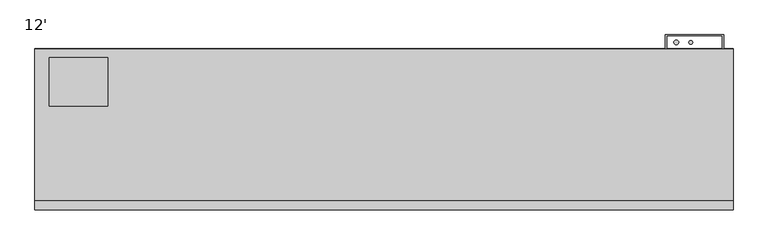
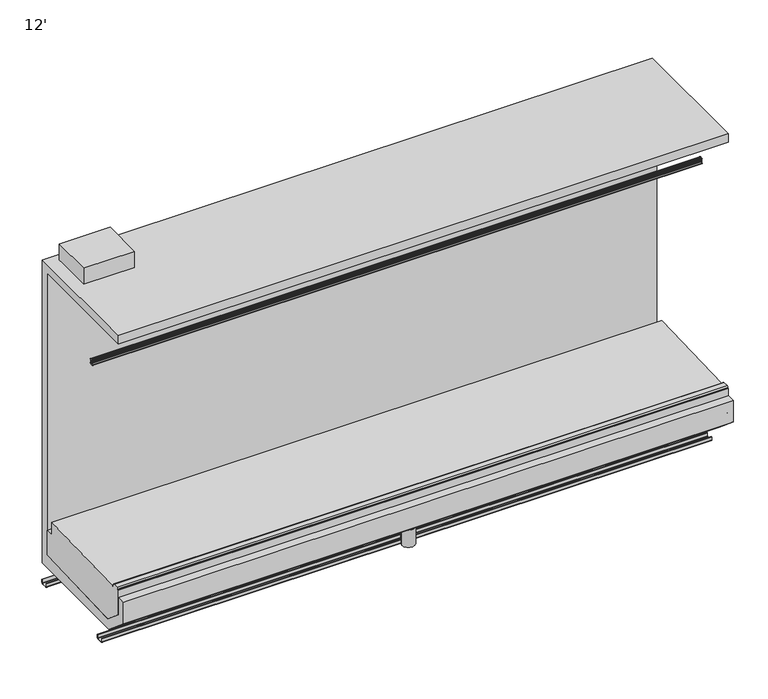
"""IFC4 building model written with IfcOpenShell, lengths in millimetres: proxy geometry, 12'."""

from ifc_helpers import new_model, si_unit, point, frame, frame_2d, origin, origin_with_axes, place, context, project, spatial, polyline, circle_curve, trimmed, segment, composite_curve, outline, extrude, source, transform, mapped, element, save
from ifc_brep_helpers import plane_surface, cylinder_surface, revolved_surface, advanced_brep


def proxy_12_0bb4a492(model_context):
    return source(origin(), model_context, "Body", "SolidModel", [
        extrude(outline(polyline([(381.0, -445.9589273), (381.0, -699.9589273), (76.2, -699.9589273), (76.2, -445.9589273), (381.0, -445.9589273)])), frame((0.0, 0.0, 2053.0), z_axis=(0.0, 0.0, 1.0), x_axis=(1.0, 0.0, 0.0)), (0.0, 0.0, 1.0), 101.6),
        extrude(outline(composite_curve([segment(trimmed(circle_curve(frame_2d((124.866634, -515.3253412)), 12.7), [point((112.166634, -515.3253412))], [point((137.566634, -515.3253412))], False, "CARTESIAN"), True, "CONTINUOUS"), segment(trimmed(circle_curve(frame_2d((124.866634, -515.3253412)), 12.7), [point((137.566634, -515.3253412))], [point((112.166634, -515.3253412))], False, "CARTESIAN"), True, "CONTINUOUS")], self_intersect=False)), frame((0.0, 0.0, 68.5310382), z_axis=(0.0, 0.0, 1.0), x_axis=(1.0, 0.0, 0.0)), (0.0, 0.0, 1.0), 6.35),
        extrude(outline(composite_curve([segment(trimmed(circle_curve(frame_2d((162.966634, -515.3253412)), 12.7), [point((150.266634, -515.3253412))], [point((175.666634, -515.3253412))], False, "CARTESIAN"), True, "CONTINUOUS"), segment(trimmed(circle_curve(frame_2d((162.966634, -515.3253412)), 12.7), [point((175.666634, -515.3253412))], [point((150.266634, -515.3253412))], False, "CARTESIAN"), True, "CONTINUOUS")], self_intersect=False)), frame((0.0, 0.0, 68.5310382), z_axis=(0.0, 0.0, 1.0), x_axis=(1.0, 0.0, 0.0)), (0.0, 0.0, 1.0), 6.35),
        advanced_brep(
        [(3657.6, -500.2639658, 449.111638), (3657.6, -1126.5028947, 427.2428927), (3657.6, -1135.3036375, 427.2438499), (3657.6, -1141.6520836, 433.4891442), (3657.6, -1141.6520836, 441.532731), (3657.6, -1148.0014586, 447.882731), (3657.6, -1181.6652736, 447.8860441), (3657.6, -1188.0158985, 441.5367347), (3657.6, -1188.0165653, 435.4058904), (3657.6, -1192.8459273, 435.4064157), (3657.6, -1192.8459273, 281.2500468), (3657.6, -1082.8646206, 188.9647729), (3657.6, -451.7851762, 211.0025527), (3657.6, -451.7851762, 367.1756257), (3657.6, -500.2639658, 367.1756257), (0.0, -500.2639658, 449.111638), (0.0, -500.2639658, 367.1756257), (0.0, -451.7851762, 367.1756257), (0.0, -451.7851762, 211.0025527), (0.0, -1082.8646206, 188.9647729), (0.0, -1192.8459273, 281.2500468), (0.0, -1192.8459273, 435.4064157), (0.0, -1188.0165653, 435.4058904), (0.0, -1188.0158985, 441.5367347), (0.0, -1181.6652736, 447.8860441), (0.0, -1148.0014586, 447.882731), (0.0, -1141.6520836, 441.532731), (0.0, -1141.6520836, 433.4891442), (0.0, -1135.3036375, 427.2438499), (0.0, -1126.5028947, 427.2428927), (3556.0, -451.7851762, 260.35), (3556.0, -451.7851762, 361.95), (3556.0, -471.3589273, 260.35), (3556.0, -471.3589273, 361.95)],
        [
            (0, 1),
            (1, 2),
            (2, 3, circle_curve(frame((3657.6, -1135.3029469, 433.5938498), z_axis=(-1.0, 0.0, 0.0), x_axis=(0.0, 1.0, 0.0)), 6.35)),
            (3, 4),
            (4, 5, circle_curve(frame((3657.6, -1148.0020836, 441.532731), z_axis=(1.0, 0.0, 0.0), x_axis=(0.0, 1.0, 0.0)), 6.35)),
            (5, 6),
            (6, 7, circle_curve(frame((3657.6, -1181.6658985, 441.5360441), z_axis=(1.0, 0.0, 0.0), x_axis=(0.0, 1.0, 0.0)), 6.35)),
            (7, 8),
            (8, 9),
            (9, 10),
            (10, 11),
            (11, 12),
            (12, 13),
            (13, 14),
            (14, 0),
            (15, 16),
            (16, 17),
            (17, 18),
            (18, 19),
            (19, 20),
            (20, 21),
            (21, 22),
            (22, 23),
            (23, 24, circle_curve(frame((0.0, -1181.6658985, 441.5360441), z_axis=(-1.0, 0.0, 0.0), x_axis=(0.0, 1.0, 0.0)), 6.35)),
            (24, 25),
            (25, 26, circle_curve(frame((0.0, -1148.0020836, 441.532731), z_axis=(-1.0, 0.0, 0.0), x_axis=(0.0, 1.0, 0.0)), 6.35)),
            (26, 27),
            (27, 28, circle_curve(frame((0.0, -1135.3029469, 433.5938498), z_axis=(1.0, 0.0, 0.0), x_axis=(0.0, 1.0, 0.0)), 6.35)),
            (28, 29),
            (29, 15),
            (12, 18),
            (17, 13),
            (30, 31, circle_curve(frame((3556.0, -451.7851762, 311.15), z_axis=(0.0, -1.0, 0.0), x_axis=(0.0, 0.0, 1.0)), 50.8)),
            (31, 30, circle_curve(frame((3556.0, -451.7851762, 311.15), z_axis=(0.0, -1.0, 0.0), x_axis=(0.0, 0.0, 1.0)), 50.8)),
            (16, 14),
            (15, 0),
            (9, 21),
            (20, 10),
            (19, 11),
            (29, 1),
            (28, 2),
            (27, 3),
            (4, 26),
            (25, 5),
            (24, 6),
            (23, 7),
            (22, 8),
            (32, 33, circle_curve(frame((3556.0, -471.3589273, 311.15), z_axis=(0.0, 1.0, 0.0), x_axis=(0.0, 0.0, 1.0)), 50.8)),
            (33, 32, circle_curve(frame((3556.0, -471.3589273, 311.15), z_axis=(0.0, 1.0, 0.0), x_axis=(0.0, 0.0, 1.0)), 50.8)),
            (33, 31),
            (30, 32),
        ],
        [
            plane_surface(frame((3657.6, -1126.5028947, 427.2428927), z_axis=(1.0000000000000002, 0.0, 0.0), x_axis=(0.0, -0.9993908270190762, -0.034899496703061944))),
            plane_surface(frame((0.0, -1126.5028947, 427.2428927), z_axis=(-1.0000000000000002, 0.0, 0.0), x_axis=(0.0, 0.9993908270190762, 0.034899496703061944))),
            plane_surface(frame((3657.6, -451.7851762, 211.0025527), z_axis=(0.0, 1.0, 0.0), x_axis=(-1.0, 0.0, 0.0))),
            plane_surface(frame((3657.6, -451.7851762, 367.1756257), z_axis=(0.0, 0.0, 1.0), x_axis=(-1.0, 0.0, 0.0))),
            plane_surface(frame((3657.6, -500.2639658, 367.1756257), z_axis=(0.0, 1.0, 0.0), x_axis=(-1.0, 0.0, 0.0))),
            plane_surface(frame((3657.6, -1192.8459273, 435.4064157), z_axis=(0.0, -1.0, 0.0), x_axis=(-1.0, 0.0, 0.0))),
            plane_surface(frame((3657.6, -1192.8459273, 281.2500468), z_axis=(0.0, -0.6427876096870722, -0.7660444431185309), x_axis=(-1.0, 0.0, 0.0))),
            plane_surface(frame((3657.6, -1082.8646206, 188.9647729), z_axis=(0.0, 0.03489949670246416, -0.999390827019097), x_axis=(-1.0, 0.0, 0.0))),
            plane_surface(frame((3657.6, -500.2639658, 449.111638), z_axis=(0.0, -0.034899496703061944, 0.9993908270190762), x_axis=(-1.0, 0.0, 0.0))),
            plane_surface(frame((3657.6, -1126.5028947, 427.2428927), z_axis=(0.0, 0.00010875852496434941, 0.9999999940857917), x_axis=(-1.0, 0.0, 0.0))),
            revolved_surface(polyline([(0.0, -1128.9529469000001, 433.5938498), (3657.6, -1128.9529469000001, 433.5938498)]), (0.0, -1135.3029469, 433.5938498), (-1.0, 0.0, 0.0)),
            cylinder_surface(frame((0.0, -1148.0020836, 441.532731), z_axis=(1.0, 0.0, 0.0), x_axis=(0.0, 1.0, 0.0)), 6.35),
            plane_surface(frame((3657.6, -1148.0014586, 447.882731), z_axis=(0.0, 9.841684243872936e-05, 0.9999999951570626), x_axis=(-1.0, 0.0, 0.0))),
            cylinder_surface(frame((0.0, -1181.6658985, 441.5360441), z_axis=(1.0, 0.0, 0.0), x_axis=(0.0, 1.0, 0.0)), 6.35),
            plane_surface(frame((3657.6, -1188.0158985, 441.5367347), z_axis=(0.0, -0.9999999940857938, 0.00010875850531839876), x_axis=(-1.0, 0.0, 0.0))),
            plane_surface(frame((3657.6, -1188.0165653, 435.4058904), z_axis=(0.0, 0.00010875840003332278, 0.9999999940858052), x_axis=(-1.0, 0.0, 0.0))),
            plane_surface(frame((3657.6, -1141.6520836, 433.4891442), z_axis=(0.0, 1.0, 0.0), x_axis=(-1.0, 0.0, 0.0))),
            plane_surface(frame((3556.0, -471.3589273, 361.95), z_axis=(0.0, 1.0, 0.0), x_axis=(-1.0, 0.0, 0.0))),
            revolved_surface(polyline([(3556.0, -471.3589273, 361.95), (3556.0, -451.7851762, 361.95)]), (3556.0, -381.990496, 311.15), (0.0, -1.0, 0.0)),
        ],
        [
            (0, [[1, 2, 3, 4, 5, 6, 7, 8, 9, 10, 11, 12, 13, 14, 15]]),
            (1, [[16, 17, 18, 19, 20, 21, 22, 23, 24, 25, 26, 27, 28, 29, 30]]),
            (2, [[-13, 31, -18, 32], [33, 34]]),
            (3, [[-14, -32, -17, 35]]),
            (4, [[-15, -35, -16, 36]]),
            (5, [[-10, 37, -21, 38]]),
            (6, [[-11, -38, -20, 39]]),
            (7, [[-12, -39, -19, -31]]),
            (8, [[-1, -36, -30, 40]]),
            (9, [[-2, -40, -29, 41]]),
            (10, [[-3, -41, -28, 42]]),
            (11, [[-5, 43, -26, 44]]),
            (12, [[-6, -44, -25, 45]]),
            (13, [[-7, -45, -24, 46]]),
            (14, [[-8, -46, -23, 47]]),
            (15, [[-9, -47, -22, -37]]),
            (16, [[-4, -42, -27, -43]]),
            (17, [[48, 49]]),
            (18, [[-49, 50, -33, 51]]),
            (18, [[-48, -51, -34, -50]]),
        ],
    ),
        advanced_brep(
        [(3657.6, -1093.449669, 130.175), (3657.6, -401.5089273, 130.175), (3657.6, -401.5089273, 2053.0), (3657.6, -1193.4788424, 2053.0), (3657.6, -1193.4788424, 2000.9165757), (3657.6, -451.7851762, 2000.9165757), (3657.6, -451.7851762, 211.0025527), (3657.6, -1082.8646206, 188.9647729), (3657.6, -1192.8459273, 281.2500468), (3657.6, -1192.8459273, 391.0306785), (3657.6, -1243.8542655, 391.0306785), (3657.6, -1243.8542655, 256.3794415), (0.0, -1093.449669, 130.175), (0.0, -1243.8542655, 256.3794415), (0.0, -1243.8542655, 391.0306785), (0.0, -1192.8459273, 391.0306785), (0.0, -1192.8459273, 281.2500468), (0.0, -1082.8646206, 188.9647729), (0.0, -451.7851762, 211.0025527), (0.0, -451.7851762, 2000.9165757), (0.0, -1193.4788424, 2000.9165757), (0.0, -1193.4788424, 2053.0), (0.0, -401.5089273, 2053.0), (0.0, -401.5089273, 130.175), (3556.0, -401.5089273, 260.35), (3556.0, -401.5089273, 361.95), (3556.0, -451.7851762, 361.95), (3556.0, -451.7851762, 260.35)],
        [
            (0, 1),
            (1, 2),
            (2, 3),
            (3, 4),
            (4, 5),
            (5, 6),
            (6, 7),
            (7, 8),
            (8, 9),
            (9, 10),
            (10, 11),
            (11, 0),
            (12, 13),
            (13, 14),
            (14, 15),
            (15, 16),
            (16, 17),
            (17, 18),
            (18, 19),
            (19, 20),
            (20, 21),
            (21, 22),
            (22, 23),
            (23, 12),
            (0, 12),
            (23, 1),
            (22, 2),
            (24, 25, circle_curve(frame((3556.0, -401.5089273, 311.15), z_axis=(0.0, -1.0, 0.0), x_axis=(0.0, 0.0, 1.0)), 50.8)),
            (25, 24, circle_curve(frame((3556.0, -401.5089273, 311.15), z_axis=(0.0, -1.0, 0.0), x_axis=(0.0, 0.0, 1.0)), 50.8)),
            (21, 3),
            (20, 4),
            (19, 5),
            (18, 6),
            (26, 27, circle_curve(frame((3556.0, -451.7851762, 311.15), z_axis=(0.0, 1.0, 0.0), x_axis=(0.0, 0.0, 1.0)), 50.8)),
            (27, 26, circle_curve(frame((3556.0, -451.7851762, 311.15), z_axis=(0.0, 1.0, 0.0), x_axis=(0.0, 0.0, 1.0)), 50.8)),
            (17, 7),
            (16, 8),
            (15, 9),
            (14, 10),
            (13, 11),
            (24, 27),
            (26, 25),
        ],
        [
            plane_surface(frame((3657.6, -401.5089273, 130.175), z_axis=(1.0, 0.0, 0.0), x_axis=(0.0, 1.0, 0.0))),
            plane_surface(frame((0.0, -401.5089273, 130.175), z_axis=(-1.0, 0.0, 0.0), x_axis=(0.0, -1.0, 0.0))),
            plane_surface(frame((3657.6, -1093.449669, 130.175), z_axis=(0.0, 0.0, -1.0), x_axis=(-1.0, 0.0, 0.0))),
            plane_surface(frame((3657.6, -401.5089273, 130.175), z_axis=(0.0, 1.0, 0.0), x_axis=(-1.0, 0.0, 0.0))),
            plane_surface(frame((3657.6, -401.5089273, 2053.0), z_axis=(0.0, 0.0, 1.0), x_axis=(-1.0, 0.0, 0.0))),
            plane_surface(frame((3657.6, -1193.4788424, 2053.0), z_axis=(0.0, -1.0, 0.0), x_axis=(-1.0, 0.0, 0.0))),
            plane_surface(frame((3657.6, -1193.4788424, 2000.9165757), z_axis=(0.0, 0.0, -1.0), x_axis=(-1.0, 0.0, 0.0))),
            plane_surface(frame((3657.6, -451.7851762, 2000.9165757), z_axis=(0.0, -1.0, 0.0), x_axis=(-1.0, 0.0, 0.0))),
            plane_surface(frame((3657.6, -451.7851762, 211.0025527), z_axis=(0.0, -0.03489949670246416, 0.999390827019097), x_axis=(-1.0, 0.0, 0.0))),
            plane_surface(frame((3657.6, -1082.8646206, 188.9647729), z_axis=(0.0, 0.6427876096870722, 0.7660444431185309), x_axis=(-1.0, 0.0, 0.0))),
            plane_surface(frame((3657.6, -1192.8459273, 281.2500468), z_axis=(0.0, 1.0, 0.0), x_axis=(-1.0, 0.0, 0.0))),
            plane_surface(frame((3657.6, -1192.8459273, 391.0306785), z_axis=(0.0, 0.0, 1.0), x_axis=(-1.0, 0.0, 0.0))),
            plane_surface(frame((3657.6, -1243.8542655, 391.0306785), z_axis=(0.0, -1.0, 0.0), x_axis=(-1.0, 0.0, 0.0))),
            plane_surface(frame((3657.6, -1243.8542655, 256.3794415), z_axis=(0.0, -0.6427876096870824, -0.7660444431185224), x_axis=(-1.0, 0.0, 0.0))),
            revolved_surface(polyline([(3556.0, -451.7851762, 361.95), (3556.0, -401.5089273, 361.95)]), (3556.0, -381.990496, 311.15), (0.0, -1.0, 0.0)),
        ],
        [
            (0, [[1, 2, 3, 4, 5, 6, 7, 8, 9, 10, 11, 12]]),
            (1, [[13, 14, 15, 16, 17, 18, 19, 20, 21, 22, 23, 24]]),
            (2, [[-1, 25, -24, 26]]),
            (3, [[-2, -26, -23, 27], [28, 29]]),
            (4, [[-3, -27, -22, 30]]),
            (5, [[-4, -30, -21, 31]]),
            (6, [[-5, -31, -20, 32]]),
            (7, [[-6, -32, -19, 33], [34, 35]]),
            (8, [[-7, -33, -18, 36]]),
            (9, [[-8, -36, -17, 37]]),
            (10, [[-9, -37, -16, 38]]),
            (11, [[-10, -38, -15, 39]]),
            (12, [[-11, -39, -14, 40]]),
            (13, [[-12, -40, -13, -25]]),
            (14, [[41, -34, 42, -28]]),
            (14, [[-41, -29, -42, -35]]),
        ],
    ),
        extrude(outline(composite_curve([segment(polyline([(-401.5089273, 24.892), (-398.7403273, 24.892), (-398.7403273, 5.1562)]), True, "CONTINUOUS"), segment(trimmed(circle_curve(frame_2d((-403.8965273, 5.1562)), 5.1562), [point((-398.7403273, 5.1562))], [point((-399.435967, 2.5697351))], False, "CARTESIAN"), True, "CONTINUOUS"), segment(trimmed(circle_curve(frame_2d((-403.8965273, 5.1562)), 5.1562), [point((-399.435967, 2.5697351))], [point((-403.8965273, 0.0))], False, "CARTESIAN"), True, "CONTINUOUS"), segment(polyline([(-403.8965273, 0.0), (-438.8088273, 0.0)]), True, "CONTINUOUS"), segment(trimmed(circle_curve(frame_2d((-438.8088273, 5.1562)), 5.1562), [point((-438.8088273, 0.0))], [point((-443.9650273, 5.1562))], False, "CARTESIAN"), True, "CONTINUOUS"), segment(polyline([(-443.9650273, 5.1562), (-443.9650273, 24.9047), (-441.1964273, 24.9047), (-441.1964273, 5.1562)]), True, "CONTINUOUS"), segment(trimmed(circle_curve(frame_2d((-438.8088273, 5.1562)), 2.3876), [point((-441.1964273, 5.1562))], [point((-438.8088273, 2.7686))], True, "CARTESIAN"), True, "CONTINUOUS"), segment(polyline([(-438.8088273, 2.7686), (-403.8965273, 2.7686)]), True, "CONTINUOUS"), segment(trimmed(circle_curve(frame_2d((-403.8965273, 5.1562)), 2.3876), [point((-403.8965273, 2.7686))], [point((-401.5089273, 5.1562))], True, "CARTESIAN"), True, "CONTINUOUS"), segment(polyline([(-401.5089273, 5.1562), (-401.5089273, 24.892)]), True, "CONTINUOUS")], self_intersect=False)), frame((0.0, 0.0, 0.0), z_axis=(1.0, 0.0, 0.0), x_axis=(0.0, 1.0, 0.0)), (0.0, 0.0, 1.0), 3657.6),
        extrude(outline(composite_curve([segment(trimmed(circle_curve(frame_2d((1828.8, -1036.5089273)), 38.1), [point((1790.7, -1036.5089273))], [point((1866.9, -1036.5089273))], False, "CARTESIAN"), True, "CONTINUOUS"), segment(trimmed(circle_curve(frame_2d((1828.8, -1036.5089273)), 38.1), [point((1866.9, -1036.5089273))], [point((1790.7, -1036.5089273))], False, "CARTESIAN"), True, "CONTINUOUS")], self_intersect=False)), origin_with_axes(), (0.0, 0.0, 1.0), 109.7534),
        extrude(outline(composite_curve([segment(trimmed(circle_curve(frame_2d((311.15, 3578.8101353)), 12.7), [point((298.45, 3578.8101353))], [point((323.85, 3578.8101353))], False, "CARTESIAN"), True, "CONTINUOUS"), segment(trimmed(circle_curve(frame_2d((311.15, 3578.8101353)), 12.7), [point((323.85, 3578.8101353))], [point((298.45, 3578.8101353))], False, "CARTESIAN"), True, "CONTINUOUS")], self_intersect=False)), frame((0.0, -471.3589273, 0.0), z_axis=(0.0, 1.0, 0.0), x_axis=(0.0, 0.0, 1.0)), (0.0, 0.0, 1.0), 69.85),
        extrude(outline(composite_curve([segment(trimmed(circle_curve(frame_2d((311.15, 3533.1898647)), 9.525), [point((301.625, 3533.1898647))], [point((320.675, 3533.1898647))], False, "CARTESIAN"), True, "CONTINUOUS"), segment(trimmed(circle_curve(frame_2d((311.15, 3533.1898647)), 9.525), [point((320.675, 3533.1898647))], [point((301.625, 3533.1898647))], False, "CARTESIAN"), True, "CONTINUOUS")], self_intersect=False)), frame((0.0, -471.3589273, 0.0), z_axis=(0.0, 1.0, 0.0), x_axis=(0.0, 0.0, 1.0)), (0.0, 0.0, 1.0), 69.85),
        extrude(outline(polyline([(3601.018325, -330.9058645), (3308.918325, -330.9058645), (3308.918325, -398.7403273), (3302.568325, -398.7403273), (3302.568325, -325.3089273), (3607.368325, -325.3089273), (3607.368325, -401.5089273), (3601.018325, -401.5089273), (3601.018325, -330.9058645)])), frame((0.0, 0.0, 206.3320589), z_axis=(0.0, 0.0, 1.0), x_axis=(1.0, 0.0, 0.0)), (0.0, 0.0, 1.0), 1452.7159789),
        extrude(outline(composite_curve([segment(trimmed(circle_curve(frame_2d((3359.718325, -364.899036)), 12.7), [point((3347.018325, -364.899036))], [point((3372.418325, -364.899036))], False, "CARTESIAN"), True, "CONTINUOUS"), segment(trimmed(circle_curve(frame_2d((3359.718325, -364.899036)), 12.7), [point((3372.418325, -364.899036))], [point((3347.018325, -364.899036))], False, "CARTESIAN"), True, "CONTINUOUS")], self_intersect=False)), frame((0.0, 0.0, 1562.7753116), z_axis=(0.0, 0.0, 1.0), x_axis=(1.0, 0.0, 0.0)), (0.0, 0.0, 1.0), 159.9413001),
        extrude(outline(composite_curve([segment(trimmed(circle_curve(frame_2d((3435.918325, -364.899036)), 9.525), [point((3426.393325, -364.899036))], [point((3445.443325, -364.899036))], False, "CARTESIAN"), True, "CONTINUOUS"), segment(trimmed(circle_curve(frame_2d((3435.918325, -364.899036)), 9.525), [point((3445.443325, -364.899036))], [point((3426.393325, -364.899036))], False, "CARTESIAN"), True, "CONTINUOUS")], self_intersect=False)), frame((0.0, 0.0, 1562.7753116), z_axis=(0.0, 0.0, 1.0), x_axis=(1.0, 0.0, 0.0)), (0.0, 0.0, 1.0), 159.9413001),
        extrude(outline(composite_curve([segment(polyline([(-977.7506561, 24.892), (-974.9820561, 24.892), (-974.9820561, 5.1562)]), True, "CONTINUOUS"), segment(trimmed(circle_curve(frame_2d((-980.1382561, 5.1562)), 5.1562), [point((-974.9820561, 5.1562))], [point((-975.6776958, 2.5697351))], False, "CARTESIAN"), True, "CONTINUOUS"), segment(trimmed(circle_curve(frame_2d((-980.1382561, 5.1562)), 5.1562), [point((-975.6776958, 2.5697351))], [point((-980.1382561, 0.0))], False, "CARTESIAN"), True, "CONTINUOUS"), segment(polyline([(-980.1382561, 0.0), (-1015.0505561, 0.0)]), True, "CONTINUOUS"), segment(trimmed(circle_curve(frame_2d((-1015.0505561, 5.1562)), 5.1562), [point((-1015.0505561, 0.0))], [point((-1020.2067561, 5.1562))], False, "CARTESIAN"), True, "CONTINUOUS"), segment(polyline([(-1020.2067561, 5.1562), (-1020.2067561, 24.9047), (-1017.4381561, 24.9047), (-1017.4381561, 5.1562)]), True, "CONTINUOUS"), segment(trimmed(circle_curve(frame_2d((-1015.0505561, 5.1562)), 2.3876), [point((-1017.4381561, 5.1562))], [point((-1015.0505561, 2.7686))], True, "CARTESIAN"), True, "CONTINUOUS"), segment(polyline([(-1015.0505561, 2.7686), (-980.1382561, 2.7686)]), True, "CONTINUOUS"), segment(trimmed(circle_curve(frame_2d((-980.1382561, 5.1562)), 2.3876), [point((-980.1382561, 2.7686))], [point((-977.7506561, 5.1562))], True, "CARTESIAN"), True, "CONTINUOUS"), segment(polyline([(-977.7506561, 5.1562), (-977.7506561, 24.892)]), True, "CONTINUOUS")], self_intersect=False)), frame((0.0, 0.0, 0.0), z_axis=(1.0, 0.0, 0.0), x_axis=(0.0, 1.0, 0.0)), (0.0, 0.0, 1.0), 3657.6),
        advanced_brep(
        [(3657.6, -902.6931295, 1727.3075286), (3657.6, -901.7243099, 1727.6885286), (3657.6, -902.8390735, 1730.5231871), (3657.6, -905.9012623, 1732.6167077), (3657.6, -908.3652606, 1732.6247138), (3657.6, -908.3652606, 1704.0828354), (3657.6, -910.4874517, 1701.5774341), (3657.6, -914.7493725, 1700.8731899), (3657.6, -917.4469208, 1704.4916046), (3657.6, -914.3596606, 1717.0478082), (3657.6, -914.3596606, 1732.6247138), (3657.6, -919.5201751, 1732.6247138), (3657.6, -920.545241, 1732.1045613), (3657.6, -921.6281952, 1729.8544831), (3657.6, -920.6442857, 1729.6607751), (3657.6, -920.0507066, 1731.2579447), (3657.6, -919.2029406, 1731.4273519), (3657.6, -917.1624717, 1728.3298316), (3657.6, -916.2734717, 1728.3298316), (3657.6, -916.2734717, 1723.5154593), (3657.6, -915.4867719, 1723.3208329), (3657.6, -916.2860613, 1720.0900228), (3657.6, -916.3394429, 1717.0318787), (3657.6, -916.382618, 1715.9093735), (3657.6, -916.5259319, 1714.2657553), (3657.6, -916.9841164, 1711.5098777), (3657.6, -917.3803385, 1709.9083074), (3657.6, -921.1921567, 1701.6305848), (3657.6, -922.0946495, 1701.7496918), (3657.6, -922.5752577, 1703.1954368), (3657.6, -923.5448561, 1702.9314817), (3657.6, -923.1493051, 1701.7804452), (3657.6, -917.5263496, 1698.0213504), (3657.6, -904.9718522, 1700.0874013), (3657.6, -902.4051937, 1702.2161722), (3657.6, -901.4299592, 1704.8954615), (3657.6, -902.4324233, 1705.2603286), (3657.6, -903.2891388, 1703.4720652), (3657.6, -906.910186, 1704.3817952), (3657.6, -907.0320908, 1728.1919806), (3657.6, -903.357335, 1728.9956276), (0.0, -902.6931295, 1727.3075286), (0.0, -903.357335, 1728.9956276), (0.0, -907.0320908, 1728.1919806), (0.0, -906.910186, 1704.3817952), (0.0, -903.2891388, 1703.4720652), (0.0, -902.4324233, 1705.2603286), (0.0, -901.4299592, 1704.8954615), (0.0, -902.4051937, 1702.2161722), (0.0, -904.9718522, 1700.0874013), (0.0, -917.5263496, 1698.0213504), (0.0, -923.149286, 1701.7804537), (0.0, -923.5448561, 1702.9314817), (0.0, -922.5752577, 1703.1954368), (0.0, -922.0946495, 1701.7496918), (0.0, -921.1921848, 1701.6306037), (0.0, -917.3803385, 1709.9083074), (0.0, -916.9841164, 1711.5098777), (0.0, -916.5259319, 1714.2657553), (0.0, -916.382618, 1715.9093735), (0.0, -916.3394429, 1717.0318787), (0.0, -916.2860613, 1720.0900228), (0.0, -915.4867719, 1723.3208329), (0.0, -916.2734717, 1723.5154593), (0.0, -916.2734717, 1728.3298316), (0.0, -917.1624717, 1728.3298316), (0.0, -919.2029343, 1731.4273578), (0.0, -920.0507066, 1731.2579447), (0.0, -920.6442857, 1729.6607751), (0.0, -921.6281903, 1729.8544818), (0.0, -920.5452539, 1732.1045707), (0.0, -919.5201751, 1732.6247012), (0.0, -914.3596606, 1732.6247138), (0.0, -914.3596606, 1717.0478082), (0.0, -917.4469208, 1704.4916046), (0.0, -914.7493725, 1700.8731899), (0.0, -910.4874517, 1701.5774341), (0.0, -908.3652606, 1704.0828354), (0.0, -908.3652606, 1732.6247138), (0.0, -905.9012623, 1732.6167077), (0.0, -902.8390735, 1730.5231871), (0.0, -901.7243099, 1727.6885286)],
        [
            (0, 1),
            (1, 2),
            (2, 3, circle_curve(frame((3657.6, -905.9119913, 1729.3147251), z_axis=(1.0, 0.0, 0.0), x_axis=(0.0, 1.0, 0.0)), 3.302)),
            (3, 4),
            (4, 5),
            (5, 6, circle_curve(frame((3657.6, -910.9052606, 1704.0828354), z_axis=(-1.0, 0.0, 0.0), x_axis=(0.0, 1.0, 0.0)), 2.54)),
            (6, 7),
            (7, 8, circle_curve(frame((3657.6, -915.163469, 1703.3792046), z_axis=(-1.0, 0.0, 0.0), x_axis=(0.0, 1.0, 0.0)), 2.5399972)),
            (8, 9, circle_curve(frame((3657.6, -945.8394817, 1718.130276), z_axis=(1.0, 0.0, 0.0), x_axis=(0.0, 1.0, 0.0)), 31.4984265)),
            (9, 10),
            (10, 11),
            (11, 12, circle_curve(frame((3657.6, -919.5202548, 1731.3547138), z_axis=(1.0, 0.0, 0.0), x_axis=(0.0, 1.0, 0.0)), 1.2699874)),
            (12, 13, circle_curve(frame((3657.6, -915.0105356, 1728.0551268), z_axis=(1.0, 0.0, 0.0), x_axis=(0.0, 1.0, 0.0)), 6.8579226)),
            (13, 14, circle_curve(frame((3657.6, -921.143137, 1729.722586), z_axis=(1.0, 0.0, 0.0), x_axis=(0.0, 1.0, 0.0)), 0.5026661)),
            (14, 15),
            (15, 16, circle_curve(frame((3657.6, -919.5745346, 1731.080978), z_axis=(-1.0, 0.0, 0.0), x_axis=(0.0, 1.0, 0.0)), 0.5079931)),
            (16, 17, circle_curve(frame((3657.6, -927.3217632, 1723.8583356), z_axis=(-1.0, 0.0, 0.0), x_axis=(0.0, 1.0, 0.0)), 11.0997964)),
            (17, 18),
            (18, 19),
            (19, 20),
            (20, 21),
            (21, 22),
            (22, 23, circle_curve(frame((3657.6, -944.909409, 1717.568686), z_axis=(-1.0, 0.0, 0.0), x_axis=(0.0, 1.0, 0.0)), 28.5750087)),
            (23, 24, circle_curve(frame((3657.6, -916.847274, 1715.1218316), z_axis=(-1.0, 0.0, 0.0), x_axis=(0.0, 1.0, 0.0)), 0.9144)),
            (24, 25, circle_curve(frame((3657.6, -944.909409, 1717.568686), z_axis=(-1.0, 0.0, 0.0), x_axis=(0.0, 1.0, 0.0)), 28.5750087)),
            (25, 26, circle_curve(frame((3657.6, -917.5651726, 1710.8038316), z_axis=(-1.0, 0.0, 0.0), x_axis=(0.0, 1.0, 0.0)), 0.9144)),
            (26, 27, circle_curve(frame((3657.6, -944.909409, 1717.568686), z_axis=(-1.0, 0.0, 0.0), x_axis=(0.0, 1.0, 0.0)), 28.5750087)),
            (27, 28, circle_curve(frame((3657.6, -921.6139006, 1701.9138278), z_axis=(-1.0, 0.0, 0.0), x_axis=(0.0, 1.0, 0.0)), 0.5079962)),
            (28, 29),
            (29, 30, circle_curve(frame((3657.6, -923.0561634, 1703.049157), z_axis=(1.0, 0.0, 0.0), x_axis=(0.0, 1.0, 0.0)), 0.502661)),
            (30, 31, circle_curve(frame((3657.6, -916.8870114, 1704.575951), z_axis=(1.0, 0.0, 0.0), x_axis=(0.0, 1.0, 0.0)), 6.857928)),
            (31, 32, circle_curve(frame((3657.6, -917.3508154, 1704.3689156), z_axis=(1.0, 0.0, 0.0), x_axis=(0.0, 1.0, 0.0)), 6.3499919)),
            (32, 33),
            (33, 34, circle_curve(frame((3657.6, -905.508039, 1703.3455768), z_axis=(1.0, 0.0, 0.0), x_axis=(0.0, 1.0, 0.0)), 3.302)),
            (34, 35),
            (35, 36),
            (36, 37),
            (37, 38, circle_curve(frame((3657.6, -905.0071585, 1704.2951286), z_axis=(-1.0, 0.0, 0.0), x_axis=(0.0, 1.0, 0.0)), 1.905)),
            (38, 39, circle_curve(frame((3657.6, -1141.9102596, 1715.0840326), z_axis=(1.0, 0.0, 0.0), x_axis=(0.0, 1.0, 0.0)), 235.2436449)),
            (39, 40, circle_curve(frame((3657.6, -905.1300505, 1728.2981286), z_axis=(-1.0, 0.0, 0.0), x_axis=(0.0, 1.0, 0.0)), 1.905)),
            (40, 0),
            (41, 42),
            (42, 43, circle_curve(frame((0.0, -905.1300505, 1728.2981286), z_axis=(1.0, 0.0, 0.0), x_axis=(0.0, 1.0, 0.0)), 1.905)),
            (43, 44, circle_curve(frame((0.0, -1141.9102596, 1715.0840326), z_axis=(-1.0, 0.0, 0.0), x_axis=(0.0, 1.0, 0.0)), 235.2436449)),
            (44, 45, circle_curve(frame((0.0, -905.0071585, 1704.2951286), z_axis=(1.0, 0.0, 0.0), x_axis=(0.0, 1.0, 0.0)), 1.905)),
            (45, 46),
            (46, 47),
            (47, 48),
            (48, 49, circle_curve(frame((0.0, -905.508039, 1703.3455768), z_axis=(-1.0, 0.0, 0.0), x_axis=(0.0, 1.0, 0.0)), 3.302)),
            (49, 50),
            (50, 51, circle_curve(frame((0.0, -917.3508154, 1704.3689156), z_axis=(-1.0, 0.0, 0.0), x_axis=(0.0, 1.0, 0.0)), 6.3499919)),
            (51, 52, circle_curve(frame((0.0, -916.8870114, 1704.575951), z_axis=(-1.0, 0.0, 0.0), x_axis=(0.0, 1.0, 0.0)), 6.857928)),
            (52, 53, circle_curve(frame((0.0, -923.0561634, 1703.049157), z_axis=(-1.0, 0.0, 0.0), x_axis=(0.0, 1.0, 0.0)), 0.502661)),
            (53, 54),
            (54, 55, circle_curve(frame((0.0, -921.6139006, 1701.9138278), z_axis=(1.0, 0.0, 0.0), x_axis=(0.0, 1.0, 0.0)), 0.5079962)),
            (55, 56, circle_curve(frame((0.0, -944.909409, 1717.568686), z_axis=(1.0, 0.0, 0.0), x_axis=(0.0, 1.0, 0.0)), 28.5750087)),
            (56, 57, circle_curve(frame((0.0, -917.5651726, 1710.8038316), z_axis=(1.0, 0.0, 0.0), x_axis=(0.0, 1.0, 0.0)), 0.9144)),
            (57, 58, circle_curve(frame((0.0, -944.909409, 1717.568686), z_axis=(1.0, 0.0, 0.0), x_axis=(0.0, 1.0, 0.0)), 28.5750087)),
            (58, 59, circle_curve(frame((0.0, -916.847274, 1715.1218316), z_axis=(1.0, 0.0, 0.0), x_axis=(0.0, 1.0, 0.0)), 0.9144)),
            (59, 60, circle_curve(frame((0.0, -944.909409, 1717.568686), z_axis=(1.0, 0.0, 0.0), x_axis=(0.0, 1.0, 0.0)), 28.5750087)),
            (60, 61),
            (61, 62),
            (62, 63),
            (63, 64),
            (64, 65),
            (65, 66, circle_curve(frame((0.0, -927.3217632, 1723.8583356), z_axis=(1.0, 0.0, 0.0), x_axis=(0.0, 1.0, 0.0)), 11.0997964)),
            (66, 67, circle_curve(frame((0.0, -919.5745346, 1731.080978), z_axis=(1.0, 0.0, 0.0), x_axis=(0.0, 1.0, 0.0)), 0.5079931)),
            (67, 68),
            (68, 69, circle_curve(frame((0.0, -921.143137, 1729.722586), z_axis=(-1.0, 0.0, 0.0), x_axis=(0.0, 1.0, 0.0)), 0.5026661)),
            (69, 70, circle_curve(frame((0.0, -915.0105356, 1728.0551268), z_axis=(-1.0, 0.0, 0.0), x_axis=(0.0, 1.0, 0.0)), 6.8579226)),
            (70, 71, circle_curve(frame((0.0, -919.5202548, 1731.3547138), z_axis=(-1.0, 0.0, 0.0), x_axis=(0.0, 1.0, 0.0)), 1.2699874)),
            (71, 72),
            (72, 73),
            (73, 74, circle_curve(frame((0.0, -945.8394817, 1718.130276), z_axis=(-1.0, 0.0, 0.0), x_axis=(0.0, 1.0, 0.0)), 31.4984265)),
            (74, 75, circle_curve(frame((0.0, -915.163469, 1703.3792046), z_axis=(1.0, 0.0, 0.0), x_axis=(0.0, 1.0, 0.0)), 2.5399972)),
            (75, 76),
            (76, 77, circle_curve(frame((0.0, -910.9052606, 1704.0828354), z_axis=(1.0, 0.0, 0.0), x_axis=(0.0, 1.0, 0.0)), 2.54)),
            (77, 78),
            (78, 79),
            (79, 80, circle_curve(frame((0.0, -905.9119913, 1729.3147251), z_axis=(-1.0, 0.0, 0.0), x_axis=(0.0, 1.0, 0.0)), 3.302)),
            (80, 81),
            (81, 41),
            (0, 41),
            (81, 1),
            (80, 2),
            (79, 3),
            (78, 4),
            (77, 5),
            (76, 6),
            (75, 7),
            (74, 8),
            (73, 9),
            (72, 10),
            (71, 11),
            (70, 12),
            (69, 13),
            (68, 14),
            (67, 15),
            (66, 16),
            (65, 17),
            (64, 18),
            (63, 19),
            (62, 20),
            (61, 21),
            (60, 22),
            (59, 23),
            (58, 24),
            (57, 25),
            (56, 26),
            (55, 27),
            (54, 28),
            (53, 29),
            (52, 30),
            (51, 31),
            (50, 32),
            (49, 33),
            (48, 34),
            (47, 35),
            (46, 36),
            (45, 37),
            (44, 38),
            (43, 39),
            (42, 40),
        ],
        [
            plane_surface(frame((3657.6, -901.7243099, 1727.6885286), z_axis=(1.0, 0.0, 0.0), x_axis=(0.0, 0.9306231900674675, 0.36597879461609556))),
            plane_surface(frame((0.0, -901.7243099, 1727.6885286), z_axis=(-1.0, 0.0, 0.0), x_axis=(0.0, -0.9306231900674675, -0.36597879461609556))),
            plane_surface(frame((3657.6, -902.6931295, 1727.3075286), z_axis=(0.0, 0.36597879461609556, -0.9306231900674675), x_axis=(-1.0, 0.0, 0.0))),
            plane_surface(frame((3657.6, -901.7243099, 1727.6885286), z_axis=(0.0, 0.9306231900759734, 0.3659787945944668), x_axis=(-1.0, 0.0, 0.0))),
            cylinder_surface(frame((0.0, -905.9119913, 1729.3147251), z_axis=(1.0, 0.0, 0.0), x_axis=(0.0, 1.0, 0.0)), 3.302),
            plane_surface(frame((3657.6, -905.9012623, 1732.6167077), z_axis=(0.0, 0.0032492421037266625, 0.9999947211989428), x_axis=(-1.0, 0.0, 0.0))),
            plane_surface(frame((3657.6, -908.3652606, 1732.6247138), z_axis=(0.0, -1.0, 0.0), x_axis=(-1.0, 0.0, 0.0))),
            revolved_surface(polyline([(0.0, -908.3652606, 1704.0828354), (3657.6, -908.3652606, 1704.0828354)]), (0.0, -910.9052606, 1704.0828354), (-1.0, 0.0, 0.0)),
            plane_surface(frame((3657.6, -910.4874517, 1701.5774341), z_axis=(0.0, -0.16303029417402248, 0.9866210636214553), x_axis=(-1.0, 0.0, 0.0))),
            revolved_surface(polyline([(0.0, -912.6234718, 1703.3792046), (3657.6, -912.6234718, 1703.3792046)]), (0.0, -915.163469, 1703.3792046), (-1.0, 0.0, 0.0)),
            cylinder_surface(frame((0.0, -945.8394817, 1718.130276), z_axis=(1.0, 0.0, 0.0), x_axis=(0.0, 1.0, 0.0)), 31.4984265),
            plane_surface(frame((3657.6, -914.3596606, 1717.0478082), z_axis=(0.0, 1.0, 0.0), x_axis=(-1.0, 0.0, 0.0))),
            plane_surface(frame((3657.6, -914.3596606, 1732.6247138), z_axis=(0.0, -1.119160319973389e-12, 1.0), x_axis=(-1.0, 0.0, 0.0))),
            cylinder_surface(frame((0.0, -919.5202548, 1731.3547138), z_axis=(1.0, 0.0, 0.0), x_axis=(0.0, 1.0, 0.0)), 1.2699874),
            cylinder_surface(frame((0.0, -915.0105356, 1728.0551268), z_axis=(1.0, 0.0, 0.0), x_axis=(0.0, 1.0, 0.0)), 6.8579226),
            cylinder_surface(frame((0.0, -921.143137, 1729.722586), z_axis=(1.0, 0.0, 0.0), x_axis=(0.0, 1.0, 0.0)), 0.5026661),
            plane_surface(frame((3657.6, -920.6442857, 1729.6607751), z_axis=(0.0, 0.9373592211117492, -0.34836430729449747), x_axis=(-1.0, 0.0, 0.0))),
            revolved_surface(polyline([(0.0, -919.0665415, 1731.080978), (3657.6, -919.0665415, 1731.080978)]), (0.0, -919.5745346, 1731.080978), (-1.0, 0.0, 0.0)),
            revolved_surface(polyline([(0.0, -916.2219668, 1723.8583356), (3657.6, -916.2219668, 1723.8583356)]), (0.0, -927.3217632, 1723.8583356), (-1.0, 0.0, 0.0)),
            plane_surface(frame((3657.6, -917.1624717, 1728.3298316), z_axis=(0.0, 3.0451831539108525e-12, -1.0), x_axis=(-1.0, 0.0, 0.0))),
            plane_surface(frame((3657.6, -916.2734717, 1728.3298316), z_axis=(0.0, -1.0, 0.0), x_axis=(-1.0, 0.0, 0.0))),
            plane_surface(frame((3657.6, -916.2734717, 1723.5154593), z_axis=(0.0, -0.24015578728025933, -0.9707343600778736), x_axis=(-1.0, 0.0, 0.0))),
            plane_surface(frame((3657.6, -915.4867719, 1723.3208329), z_axis=(0.0, -0.9707343600778305, 0.2401557872804336), x_axis=(-1.0, 0.0, 0.0))),
            plane_surface(frame((3657.6, -916.2860613, 1720.0900228), z_axis=(0.0, -0.9998476868214559, 0.017452883938876798), x_axis=(-1.0, 0.0, 0.0))),
            revolved_surface(polyline([(0.0, -916.3344003, 1717.568686), (3657.6, -916.3344003, 1717.568686)]), (0.0, -944.909409, 1717.568686), (-1.0, 0.0, 0.0)),
            revolved_surface(polyline([(0.0, -915.932874, 1715.1218316), (3657.6, -915.932874, 1715.1218316)]), (0.0, -916.847274, 1715.1218316), (-1.0, 0.0, 0.0)),
            revolved_surface(polyline([(0.0, -916.6507726, 1710.8038316), (3657.6, -916.6507726, 1710.8038316)]), (0.0, -917.5651726, 1710.8038316), (-1.0, 0.0, 0.0)),
            revolved_surface(polyline([(0.0, -921.1059044, 1701.9138278), (3657.6, -921.1059044, 1701.9138278)]), (0.0, -921.6139006, 1701.9138278), (-1.0, 0.0, 0.0)),
            plane_surface(frame((3657.6, -922.0946495, 1701.7496918), z_axis=(0.0, 0.9489403078347962, 0.3154556897036448), x_axis=(-1.0, 0.0, 0.0))),
            cylinder_surface(frame((0.0, -923.0561634, 1703.049157), z_axis=(1.0, 0.0, 0.0), x_axis=(0.0, 1.0, 0.0)), 0.502661),
            cylinder_surface(frame((0.0, -916.8870114, 1704.575951), z_axis=(1.0, 0.0, 0.0), x_axis=(0.0, 1.0, 0.0)), 6.857928),
            cylinder_surface(frame((0.0, -917.3508154, 1704.3689156), z_axis=(1.0, 0.0, 0.0), x_axis=(0.0, 1.0, 0.0)), 6.3499919),
            plane_surface(frame((3657.6, -917.5263496, 1698.0213504), z_axis=(0.0, 0.16238245504540536, -0.9867278947579353), x_axis=(-1.0, 0.0, 0.0))),
            cylinder_surface(frame((0.0, -905.508039, 1703.3455768), z_axis=(1.0, 0.0, 0.0), x_axis=(0.0, 1.0, 0.0)), 3.302),
            plane_surface(frame((3657.6, -902.4051937, 1702.2161722), z_axis=(0.0, 0.9396866512804775, -0.3420365439617273), x_axis=(-1.0, 0.0, 0.0))),
            plane_surface(frame((3657.6, -901.4299592, 1704.8954615), z_axis=(0.0, 0.342020143308865, 0.9396926207920244), x_axis=(-1.0, 0.0, 0.0))),
            plane_surface(frame((3657.6, -902.4324233, 1705.2603286), z_axis=(0.0, -0.9018476084868239, 0.4320542686591541), x_axis=(-1.0, 0.0, 0.0))),
            revolved_surface(polyline([(0.0, -903.1021585, 1704.2951286), (3657.6, -903.1021585, 1704.2951286)]), (0.0, -905.0071585, 1704.2951286), (-1.0, 0.0, 0.0)),
            cylinder_surface(frame((0.0, -1141.9102596, 1715.0840326), z_axis=(1.0, 0.0, 0.0), x_axis=(0.0, 1.0, 0.0)), 235.2436449),
            revolved_surface(polyline([(0.0, -903.2250505000001, 1728.2981286), (3657.6, -903.2250505000001, 1728.2981286)]), (0.0, -905.1300505, 1728.2981286), (-1.0, 0.0, 0.0)),
            plane_surface(frame((3657.6, -903.357335, 1728.9956276), z_axis=(0.0, -0.93055930054145, -0.36614121343520956), x_axis=(-1.0, 0.0, 0.0))),
        ],
        [
            (0, [[1, 2, 3, 4, 5, 6, 7, 8, 9, 10, 11, 12, 13, 14, 15, 16, 17, 18, 19, 20, 21, 22, 23, 24, 25, 26, 27, 28, 29, 30, 31, 32, 33, 34, 35, 36, 37, 38, 39, 40, 41]]),
            (1, [[42, 43, 44, 45, 46, 47, 48, 49, 50, 51, 52, 53, 54, 55, 56, 57, 58, 59, 60, 61, 62, 63, 64, 65, 66, 67, 68, 69, 70, 71, 72, 73, 74, 75, 76, 77, 78, 79, 80, 81, 82]]),
            (2, [[-1, 83, -82, 84]]),
            (3, [[-2, -84, -81, 85]]),
            (4, [[-3, -85, -80, 86]]),
            (5, [[-4, -86, -79, 87]]),
            (6, [[-5, -87, -78, 88]]),
            (7, [[-6, -88, -77, 89]]),
            (8, [[-7, -89, -76, 90]]),
            (9, [[-8, -90, -75, 91]]),
            (10, [[-9, -91, -74, 92]]),
            (11, [[-10, -92, -73, 93]]),
            (12, [[-11, -93, -72, 94]]),
            (13, [[-12, -94, -71, 95]]),
            (14, [[-13, -95, -70, 96]]),
            (15, [[-14, -96, -69, 97]]),
            (16, [[-15, -97, -68, 98]]),
            (17, [[-16, -98, -67, 99]]),
            (18, [[-17, -99, -66, 100]]),
            (19, [[-18, -100, -65, 101]]),
            (20, [[-19, -101, -64, 102]]),
            (21, [[-20, -102, -63, 103]]),
            (22, [[-21, -103, -62, 104]]),
            (23, [[-22, -104, -61, 105]]),
            (24, [[-23, -105, -60, 106]]),
            (25, [[-24, -106, -59, 107]]),
            (24, [[-25, -107, -58, 108]]),
            (26, [[-26, -108, -57, 109]]),
            (24, [[-27, -109, -56, 110]]),
            (27, [[-28, -110, -55, 111]]),
            (28, [[-29, -111, -54, 112]]),
            (29, [[-30, -112, -53, 113]]),
            (30, [[-31, -113, -52, 114]]),
            (31, [[-32, -114, -51, 115]]),
            (32, [[-33, -115, -50, 116]]),
            (33, [[-34, -116, -49, 117]]),
            (34, [[-35, -117, -48, 118]]),
            (35, [[-36, -118, -47, 119]]),
            (36, [[-37, -119, -46, 120]]),
            (37, [[-38, -120, -45, 121]]),
            (38, [[-39, -121, -44, 122]]),
            (39, [[-40, -122, -43, 123]]),
            (40, [[-41, -123, -42, -83]]),
        ],
    ),
    ])


if __name__ == "__main__":
    model = new_model("IFC4")
    model_context = context("Model", 3, world=origin())
    ifc_project = project(units=[si_unit("LENGTHUNIT", "METRE", prefix="MILLI")], contexts=[model_context])
    site = spatial("IfcSite", under=ifc_project)
    building = spatial("IfcBuilding", under=site)
    placement = place(None, origin())
    proxy_12_shape = proxy_12_0bb4a492(model_context)
    element("IfcBuildingElementProxy", 1, Name="12'", ObjectType="12'", at=placement, inside=building, context=model_context, shape_type="MappedRepresentation", body=[
        mapped(proxy_12_shape, transform((0.0, 0.0, 0.0), x_axis=(1.0, 0.0, 0.0), y_axis=(0.0, 1.0, 0.0), z_axis=(0.0, 0.0, 1.0))),
    ])
    save(model, "model.ifc")
